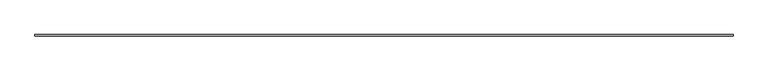
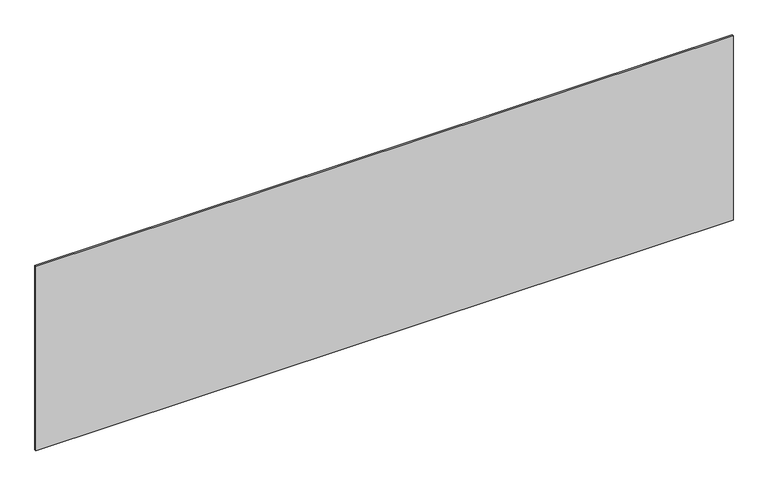
"""IFC4 building model written with IfcOpenShell, lengths in millimetres: plate geometry."""

from ifc_helpers import new_model, si_unit, origin, origin_with_axes, place, context, project, spatial, polyline, outline, extrude, source, transform, mapped, element, save


def plate_cebc02fe(model_context):
    return source(origin(), model_context, "Body", "SweptSolid", [
        extrude(outline(polyline([(2264.1666667, -5.0), (-2264.1666667, -5.0), (-2264.1666667, 5.0), (2264.1666667, 5.0), (2264.1666667, -5.0)])), origin_with_axes(), (0.0, 0.0, 1.0), 1266.9562992),
    ])


if __name__ == "__main__":
    model = new_model("IFC4")
    model_context = context("Model", 3, world=origin())
    ifc_project = project(units=[si_unit("LENGTHUNIT", "METRE", prefix="MILLI")], contexts=[model_context])
    site = spatial("IfcSite", under=ifc_project)
    building = spatial("IfcBuilding", under=site)
    placement = place(None, origin())
    plate_shape = plate_cebc02fe(model_context)
    element("IfcPlate", 1, at=placement, inside=building, context=model_context, shape_type="MappedRepresentation", body=[
        mapped(plate_shape, transform((0.0, 0.0, 0.0), x_axis=(1.0, 0.0, 0.0), y_axis=(0.0, 1.0, 0.0), z_axis=(0.0, 0.0, 1.0))),
    ])
    save(model, "model.ifc")
